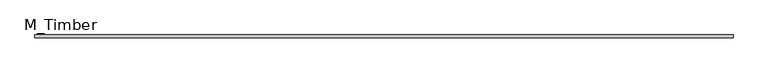
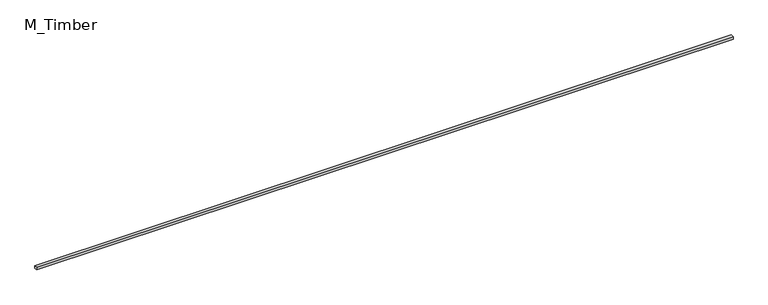
"""IFC4 building model written with IfcOpenShell, lengths in millimetres: beam geometry, M_Timber."""

from ifc_helpers import new_model, si_unit, frame, origin, place, context, project, spatial, polyline, outline, extrude, source, transform, mapped, element, save


def m_timber_5a6db452(model_context):
    return source(origin(), model_context, "Body", "SweptSolid", [
        extrude(outline(polyline([(5004.8002555, 20.0), (5004.8002555, -20.0), (-5004.8002555, -20.0), (-5004.8002555, 20.0), (5004.8002555, 20.0)])), frame((0.0, 0.0, -20.0), z_axis=(0.0, 0.0, 1.0), x_axis=(1.0, 0.0, 0.0)), (0.0, 0.0, 1.0), 40.0),
    ])


if __name__ == "__main__":
    model = new_model("IFC4")
    model_context = context("Model", 3, world=origin())
    ifc_project = project(units=[si_unit("LENGTHUNIT", "METRE", prefix="MILLI")], contexts=[model_context])
    site = spatial("IfcSite", under=ifc_project)
    building = spatial("IfcBuilding", under=site)
    placement = place(None, origin())
    m_timber_shape = m_timber_5a6db452(model_context)
    element("IfcBeam", 1, ObjectType="M_Timber", at=placement, inside=building, context=model_context, shape_type="MappedRepresentation", body=[
        mapped(m_timber_shape, transform((0.0, 0.0, 0.0), x_axis=(1.0, 0.0, 0.0), y_axis=(0.0, 1.0, 0.0), z_axis=(0.0, 0.0, 1.0))),
    ])
    save(model, "model.ifc")
